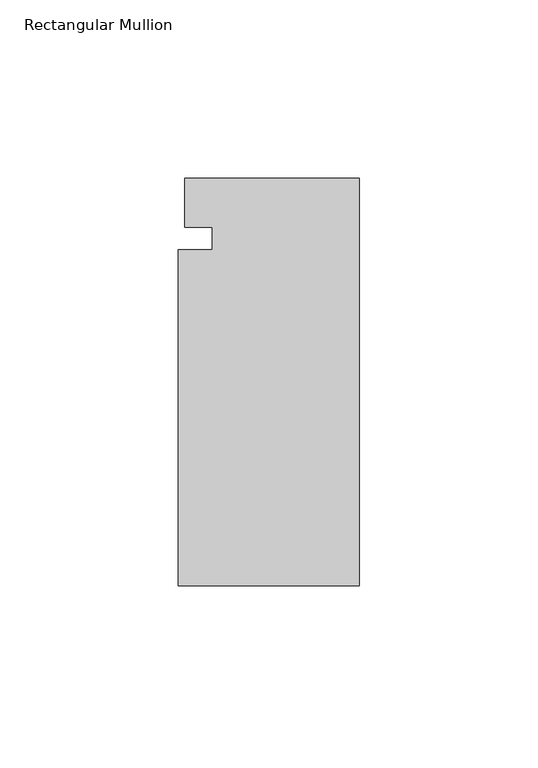
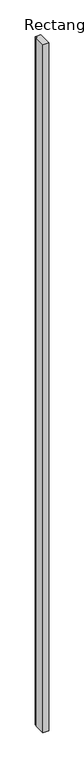
"""IFC4 building model written with IfcOpenShell, lengths in millimetres: member geometry, Rectangular Mullion."""

from ifc_helpers import new_model, si_unit, frame, origin, place, context, project, spatial, polyline, outline, extrude, source, transform, mapped, element, save


def rectangular_mullion_5c6e44ed(model_context):
    return source(origin(), model_context, "Body", "SweptSolid", [
        extrude(outline(polyline([(0.0, -56.6539294), (-50.8, -56.6539294), (-50.8, 37.5412993), (-41.275, 37.5412993), (-41.275, 43.8912993), (-49.0449765, 43.8912993), (-49.0449765, 57.6460706), (0.0, 57.6460706), (0.0, -56.6539294)])), frame((0.0, 0.0, -6096.0), z_axis=(0.0, 0.0, 1.0), x_axis=(1.0, 0.0, 0.0)), (0.0, 0.0, 1.0), 6096.0),
    ])


if __name__ == "__main__":
    model = new_model("IFC4")
    model_context = context("Model", 3, world=origin())
    ifc_project = project(units=[si_unit("LENGTHUNIT", "METRE", prefix="MILLI")], contexts=[model_context])
    site = spatial("IfcSite", under=ifc_project)
    building = spatial("IfcBuilding", under=site)
    placement = place(None, origin())
    rectangular_mullion_shape = rectangular_mullion_5c6e44ed(model_context)
    element("IfcMember", 1, ObjectType="Rectangular Mullion", at=placement, inside=building, context=model_context, shape_type="MappedRepresentation", body=[
        mapped(rectangular_mullion_shape, transform((0.0, 0.0, 0.0), x_axis=(1.0, 0.0, 0.0), y_axis=(0.0, 1.0, 0.0), z_axis=(0.0, 0.0, 1.0))),
    ])
    save(model, "model.ifc")
